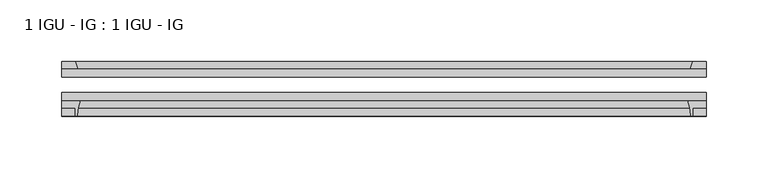
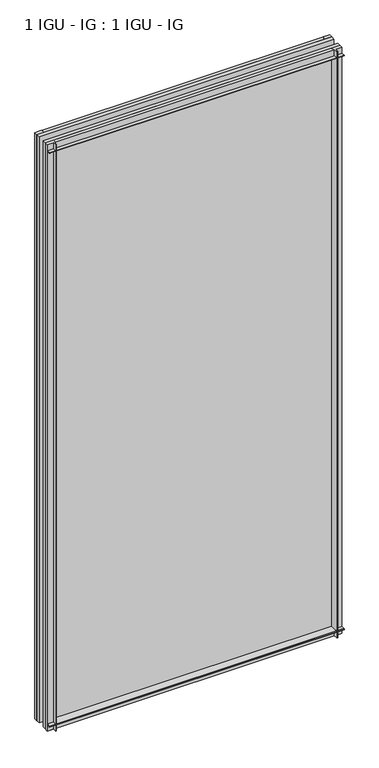
"""IFC4 building model written with IfcOpenShell, lengths in millimetres: plate geometry, 1 IGU - IG : 1 IGU - IG."""

from ifc_helpers import new_model, si_unit, point, frame, frame_2d, origin, place, context, project, spatial, polyline, circle_curve, trimmed, segment, composite_curve, outline, extrude, source, transform, mapped, element, save


def plate_1_igu_ig_1_igu_ig_7758ce4c(model_context):
    return source(origin(), model_context, "Body", "SweptSolid", [
        extrude(outline(polyline([(261.9375, -31.75), (261.9375, -38.1), (-261.9375, -38.1), (-261.9375, -31.75), (261.9375, -31.75)])), frame((0.0, 0.0, -11.1125), z_axis=(0.0, 0.0, 1.0), x_axis=(1.0, 0.0, 0.0)), (0.0, 0.0, 1.0), 1101.725),
        extrude(outline(polyline([(-261.9375, -12.7), (261.9375, -12.7), (261.9375, -19.05), (-261.9375, -19.05), (-261.9375, -12.7)])), frame((0.0, 0.0, -11.1125), z_axis=(0.0, 0.0, 1.0), x_axis=(1.0, 0.0, 0.0)), (0.0, 0.0, 1.0), 1101.725),
        extrude(outline(composite_curve([segment(polyline([(-261.9375, -38.1), (-246.6438207, -38.1)]), True, "CONTINUOUS"), segment(trimmed(circle_curve(frame_2d((-203.3848044, -53.3794536)), 45.8781451), [point((-246.6438207, -38.1))], [point((-249.1450572, -50.0925922))], True, "CARTESIAN"), True, "CONTINUOUS"), segment(trimmed(circle_curve(frame_2d((-249.9050991, -50.038)), 0.762), [point((-249.1450572, -50.0925922))], [point((-249.9050991, -50.8))], False, "CARTESIAN"), True, "CONTINUOUS"), segment(polyline([(-249.9050991, -50.8), (-250.825, -50.8), (-250.825, -44.45), (-261.9375, -44.45), (-261.9375, -38.1)]), True, "CONTINUOUS")], self_intersect=False)), frame((0.0, 0.0, -11.1125), z_axis=(0.0, 0.0, 1.0), x_axis=(1.0, 0.0, 0.0)), (0.0, 0.0, 1.0), 1101.725),
        extrude(outline(polyline([(-248.7197229, -12.7), (-261.9375, -12.7), (-261.9375, -6.35), (-250.825, -6.35), (-248.7197229, -12.7)])), frame((0.0, 0.0, -11.1125), z_axis=(0.0, 0.0, 1.0), x_axis=(1.0, 0.0, 0.0)), (0.0, 0.0, 1.0), 1101.725),
        extrude(outline(polyline([(261.9375, -12.7), (248.7197229, -12.7), (250.825, -6.35), (261.9375, -6.35), (261.9375, -12.7)])), frame((0.0, 0.0, -11.1125), z_axis=(0.0, 0.0, 1.0), x_axis=(1.0, 0.0, 0.0)), (0.0, 0.0, 1.0), 1101.725),
        extrude(outline(composite_curve([segment(polyline([(246.6438207, -38.1), (261.9375, -38.1), (261.9375, -44.45), (250.825, -44.45), (250.825, -50.8), (249.9050991, -50.8)]), True, "CONTINUOUS"), segment(trimmed(circle_curve(frame_2d((249.9050991, -50.038)), 0.762), [point((249.9050991, -50.8))], [point((249.1450572, -50.0925922))], False, "CARTESIAN"), True, "CONTINUOUS"), segment(trimmed(circle_curve(frame_2d((203.3848044, -53.3794536)), 45.8781451), [point((249.1450572, -50.0925922))], [point((246.6438207, -38.1))], True, "CARTESIAN"), True, "CONTINUOUS")], self_intersect=False)), frame((0.0, 0.0, -11.1125), z_axis=(0.0, 0.0, 1.0), x_axis=(1.0, 0.0, 0.0)), (0.0, 0.0, 1.0), 1101.725),
        extrude(outline(polyline([(-12.7, -11.1125), (-12.7, 2.1052771), (-6.35, 0.0), (-6.35, -11.1125), (-12.7, -11.1125)])), frame((-261.9375, 0.0, 0.0), z_axis=(1.0, 0.0, 0.0), x_axis=(0.0, 1.0, 0.0)), (0.0, 0.0, 1.0), 523.875),
        extrude(outline(composite_curve([segment(polyline([(-38.1, 4.1811793), (-38.1, -11.1125), (-44.45, -11.1125), (-44.45, 0.0), (-50.8, 0.0), (-50.8, 0.9199009)]), True, "CONTINUOUS"), segment(trimmed(circle_curve(frame_2d((-50.038, 0.9199009)), 0.762), [point((-50.8, 0.9199009))], [point((-50.0925922, 1.6799428))], False, "CARTESIAN"), True, "CONTINUOUS"), segment(trimmed(circle_curve(frame_2d((-53.3794536, 47.4401956)), 45.8781451), [point((-50.0925922, 1.6799428))], [point((-38.1, 4.1811793))], True, "CARTESIAN"), True, "CONTINUOUS")], self_intersect=False)), frame((-261.9375, 0.0, 0.0), z_axis=(1.0, 0.0, 0.0), x_axis=(0.0, 1.0, 0.0)), (0.0, 0.0, 1.0), 523.875),
        extrude(outline(polyline([(-6.35, 1079.5), (-12.7, 1077.3947229), (-12.7, 1090.6125), (-6.35, 1090.6125), (-6.35, 1079.5)])), frame((-261.9375, 0.0, 0.0), z_axis=(1.0, 0.0, 0.0), x_axis=(0.0, 1.0, 0.0)), (0.0, 0.0, 1.0), 523.875),
        extrude(outline(composite_curve([segment(polyline([(-38.1, 1090.6125), (-38.1, 1075.3188207)]), True, "CONTINUOUS"), segment(trimmed(circle_curve(frame_2d((-53.3794536, 1032.0598044)), 45.8781451), [point((-38.1, 1075.3188207))], [point((-50.0925922, 1077.8200572))], True, "CARTESIAN"), True, "CONTINUOUS"), segment(trimmed(circle_curve(frame_2d((-50.038, 1078.5800991)), 0.762), [point((-50.0925922, 1077.8200572))], [point((-50.8, 1078.5800991))], False, "CARTESIAN"), True, "CONTINUOUS"), segment(polyline([(-50.8, 1078.5800991), (-50.8, 1079.5), (-44.45, 1079.5), (-44.45, 1090.6125), (-38.1, 1090.6125)]), True, "CONTINUOUS")], self_intersect=False)), frame((-261.9375, 0.0, 0.0), z_axis=(1.0, 0.0, 0.0), x_axis=(0.0, 1.0, 0.0)), (0.0, 0.0, 1.0), 523.875),
    ])


if __name__ == "__main__":
    model = new_model("IFC4")
    model_context = context("Model", 3, world=origin())
    ifc_project = project(units=[si_unit("LENGTHUNIT", "METRE", prefix="MILLI")], contexts=[model_context])
    site = spatial("IfcSite", under=ifc_project)
    building = spatial("IfcBuilding", under=site)
    placement = place(None, origin())
    plate_1_igu_ig_1_igu_ig_shape = plate_1_igu_ig_1_igu_ig_7758ce4c(model_context)
    element("IfcPlate", 1, ObjectType="1 IGU - IG : 1 IGU - IG", at=placement, inside=building, context=model_context, shape_type="MappedRepresentation", body=[
        mapped(plate_1_igu_ig_1_igu_ig_shape, transform((0.0, 0.0, 0.0), x_axis=(1.0, 0.0, 0.0), y_axis=(0.0, 1.0, 0.0), z_axis=(0.0, 0.0, 1.0))),
    ])
    save(model, "model.ifc")
